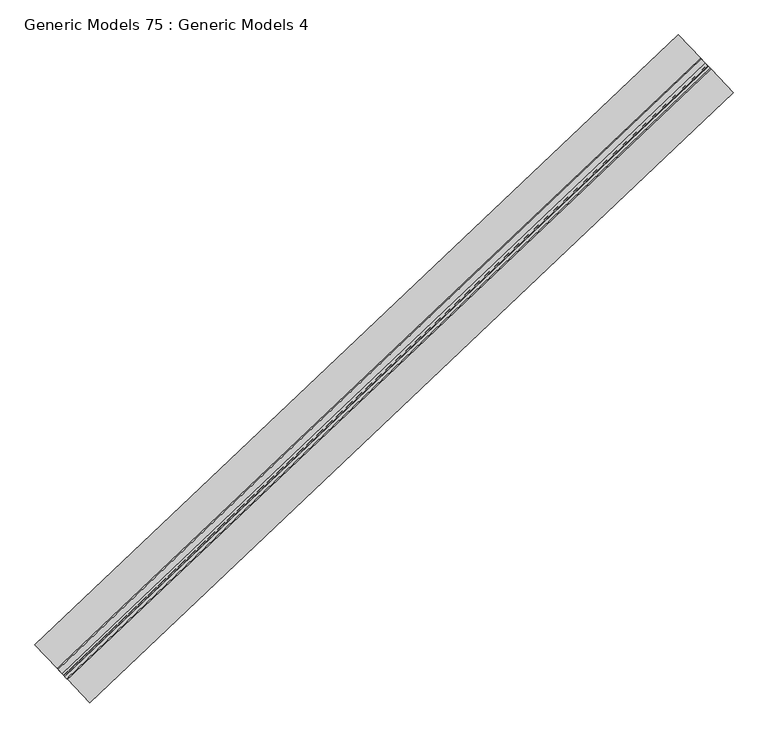
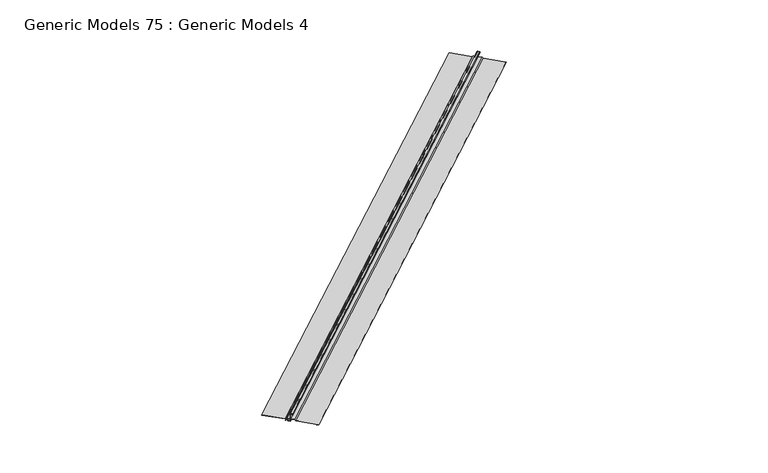
"""IFC4 building model written with IfcOpenShell, lengths in millimetres: proxy geometry, Generic Models 75 : Generic Models 4."""

from ifc_helpers import new_model, si_unit, frame, origin, place, context, project, spatial, polyline, outline, extrude, source, transform, mapped, element, save


def generic_models_75_generic_models_4_96398bb1(model_context):
    return source(origin(), model_context, "Body", "SweptSolid", [
        extrude(outline(polyline([(-185.732946, -60.2442394), (-186.2059792, -57.5674164), (-189.0435967, -56.5940262), (-194.1417351, -57.1187035), (-194.222995, -56.3291239), (-188.9511878, -55.7865734), (-185.5057759, -56.9684559), (-184.8701147, -60.5655657), (-186.5891775, -61.9639504), (-205.1274986, -61.9639504), (-205.1274986, -17.5139504), (-234.8250306, -17.5139504), (-241.1750307, -11.1639504), (-406.4, -11.1639504), (-406.4, -10.3702004), (-240.8462486, -10.3702004), (-234.4962486, -16.7202004), (-204.3337486, -16.7202004), (-204.3337486, -61.1702004), (-186.8712487, -61.1702004), (-185.732946, -60.2442394)])), frame((108130.2629741, 48481.9947493, 18705.0067283), z_axis=(0.7253743710123146, 0.6883545756937256, 0.0), x_axis=(0.6883545756937256, -0.7253743710123146, 0.0)), (0.0, 0.0, 1.0), 4530.725),
        extrude(outline(polyline([(-233.4986351, -9.4655075), (-226.404882, -9.4655075), (-222.4568672, 0.0), (-202.40625, 0.0), (-202.40625, -59.7575443), (-189.5261254, -59.7575443), (-189.5261254, -60.5512943), (-203.2, -60.5512943), (-203.2, -0.79375), (-221.9279097, -0.79375), (-225.8759245, -10.2592575), (-233.9900695, -10.2592575), (-238.1569697, -1.8923218), (-237.4464562, -1.538472), (-233.4986351, -9.4655075)])), frame((108130.2629741, 48481.9947493, 18705.0067283), z_axis=(0.7253743710123146, 0.6883545756937256, 0.0), x_axis=(0.6883545756937256, -0.7253743710123146, 0.0)), (0.0, 0.0, 1.0), 4530.725),
        extrude(outline(polyline([(-164.1263192, -10.3702004), (0.0, -10.3702004), (0.0, -11.1639504), (-163.79753, -11.1639504), (-170.1473362, -17.5139504), (-199.8448754, -17.5139504), (-199.8448754, -58.0825981), (-189.5261254, -58.0825981), (-189.5261254, -58.8763481), (-200.6386254, -58.8763481), (-200.6386254, -16.7202004), (-170.4761253, -16.7202004), (-164.1263192, -10.3702004)])), frame((108130.2629741, 48481.9947493, 18705.0067283), z_axis=(0.7253743710123146, 0.6883545756937256, 0.0), x_axis=(0.6883545756937256, -0.7253743710123146, 0.0)), (0.0, 0.0, 1.0), 4530.725),
    ])


if __name__ == "__main__":
    model = new_model("IFC4")
    model_context = context("Model", 3, world=origin())
    ifc_project = project(units=[si_unit("LENGTHUNIT", "METRE", prefix="MILLI")], contexts=[model_context])
    site = spatial("IfcSite", under=ifc_project)
    building = spatial("IfcBuilding", under=site)
    placement = place(None, origin())
    generic_models_75_generic_models_4_shape = generic_models_75_generic_models_4_96398bb1(model_context)
    element("IfcBuildingElementProxy", 1, Name="Generic Models 75 : Generic Models 4", ObjectType="Generic Models 75 : Generic Models 4", at=placement, inside=building, context=model_context, shape_type="MappedRepresentation", body=[
        mapped(generic_models_75_generic_models_4_shape, transform((0.0, 0.0, 0.0), x_axis=(1.0, 0.0, 0.0), y_axis=(0.0, 1.0, 0.0), z_axis=(0.0, 0.0, 1.0))),
    ])
    save(model, "model.ifc")
